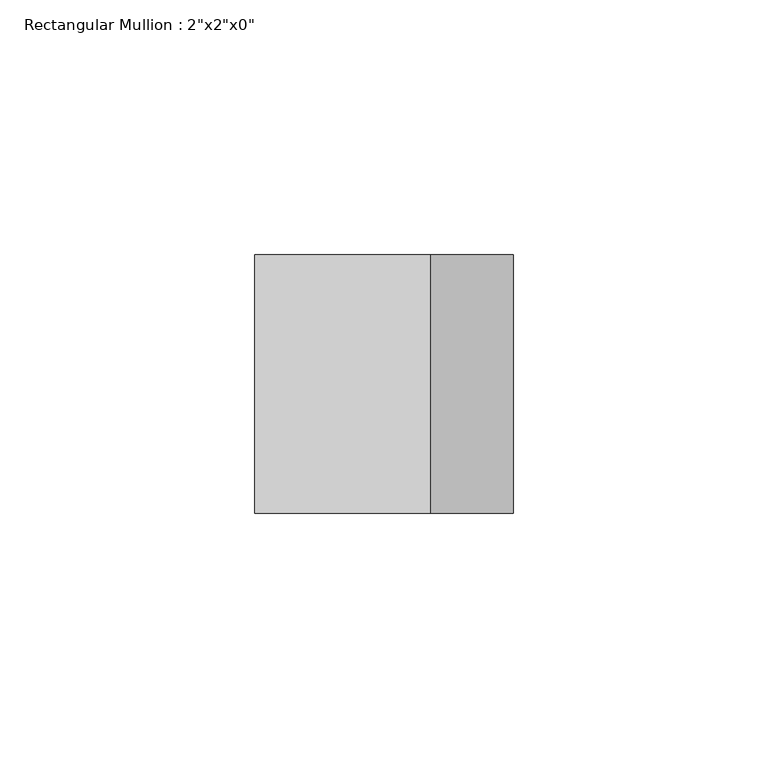
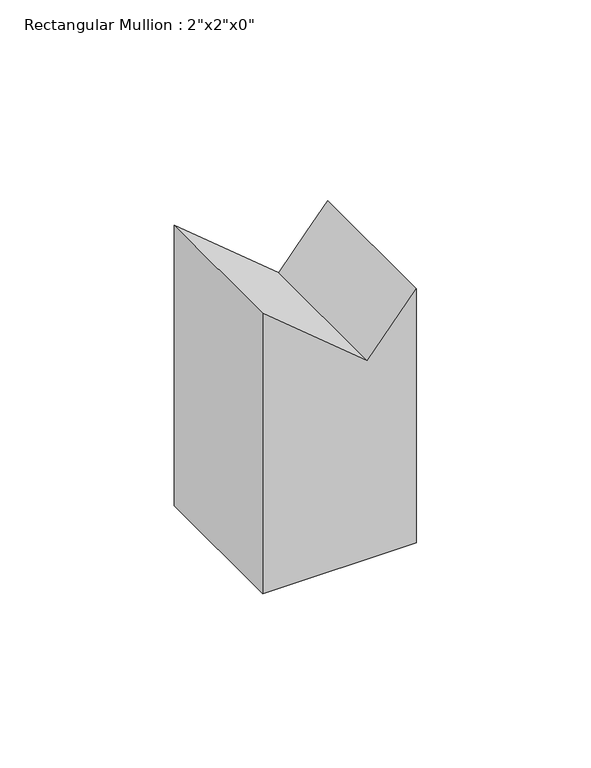
"""IFC4 building model written with IfcOpenShell, lengths in millimetres: member geometry."""

from ifc_helpers import new_model, si_unit, origin, place, context, project, spatial, faceted_brep, source, transform, mapped, element, save


def member_2e90109a(model_context):
    return source(origin(), model_context, "Body", "Brep", [
        faceted_brep([(0.0, 25.4, -88.9577464), (0.0, -25.4, -88.9577464), (-50.8, -25.4, -88.9577464), (-50.8, 25.4, -88.9577464), (-50.8, 25.4, 9.2256183), (-16.2458946, 25.4, -19.5251353), (-6.9272727, 25.4, -8.3255457), (0.0, 25.4, 0.0), (-50.8, -25.4, 9.2256183), (0.0, -25.4, 0.0), (-16.2458946, -25.4, -19.5251353)], [[[0, 1, 2, 3]], [[4, 5, 6, 7, 0, 3]], [[8, 4, 3, 2]], [[9, 10, 8, 2, 1]], [[7, 9, 1, 0]], [[7, 6, 5, 10, 9]], [[5, 4, 8, 10]]]),
    ])


if __name__ == "__main__":
    model = new_model("IFC4")
    model_context = context("Model", 3, world=origin())
    ifc_project = project(units=[si_unit("LENGTHUNIT", "METRE", prefix="MILLI")], contexts=[model_context])
    site = spatial("IfcSite", under=ifc_project)
    building = spatial("IfcBuilding", under=site)
    placement = place(None, origin())
    member_shape = member_2e90109a(model_context)
    element("IfcMember", 1, ObjectType="Rectangular Mullion : 2\"x2\"x0\"", at=placement, inside=building, context=model_context, shape_type="MappedRepresentation", body=[
        mapped(member_shape, transform((0.0, 0.0, 0.0), x_axis=(1.0, 0.0, 0.0), y_axis=(0.0, 1.0, 0.0), z_axis=(0.0, 0.0, 1.0))),
    ])
    save(model, "model.ifc")
